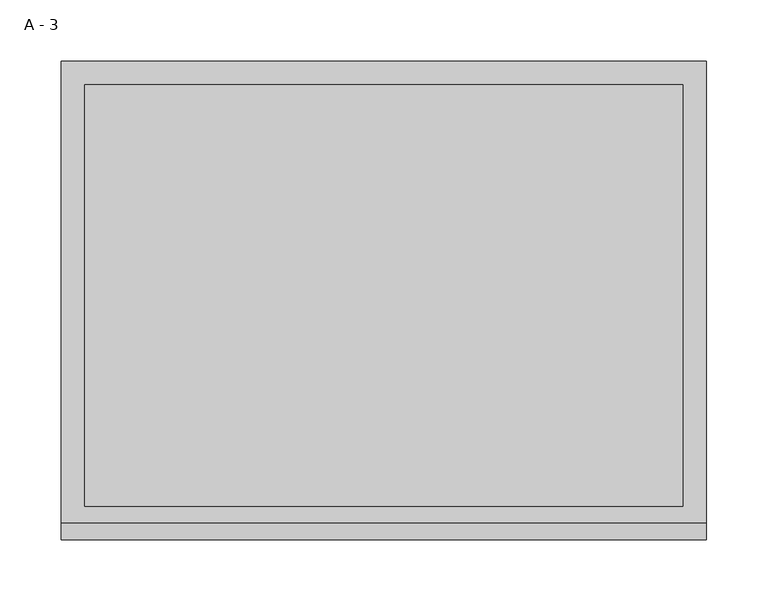
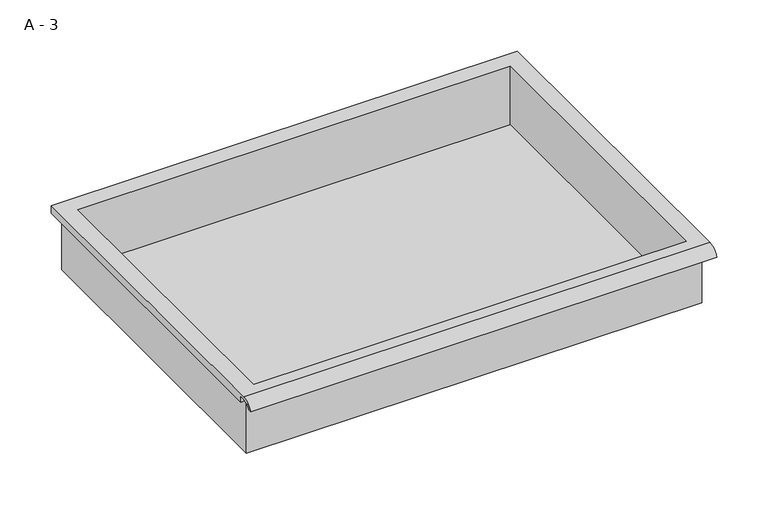
"""IFC4 building model written with IfcOpenShell, lengths in millimetres: furniture geometry, A - 3."""

from ifc_helpers import new_model, si_unit, frame, origin, place, context, project, spatial, polyline, circle_curve, source, transform, mapped, element, save
from ifc_brep_helpers import plane_surface, cylinder_surface, revolved_surface, advanced_brep


def a_3_71a075e6(model_context):
    return source(origin(), model_context, "Body", "AdvancedBrep", [
        advanced_brep(
        [(-257.1076517, -176.2125, 800.1), (257.2423483, -176.2125, 800.1), (257.2423483, -176.2125, 863.6), (263.5923483, -176.2125, 863.6), (263.5923483, -176.2125, 869.9071341), (-263.4576517, -176.2125, 869.9071341), (-263.4576517, -176.2125, 863.6), (-257.1076517, -176.2125, 863.6), (257.2423483, 185.7375, 800.1), (-257.1076517, 185.7375, 800.1), (-257.1076517, 185.7375, 863.6), (257.2423483, 185.7375, 863.6), (263.5923483, -181.6070544, 873.125), (263.5923483, 195.2625, 873.125), (-263.4576517, 195.2625, 873.125), (-263.4576517, -181.6070544, 873.125), (244.5423483, -168.275, 873.125), (-244.4076517, -168.275, 873.125), (-244.4076517, 176.2125, 873.125), (244.5423483, 176.2125, 873.125), (263.5923483, -195.2625, 863.6), (263.5923483, -191.8280601, 863.6), (263.5923483, -180.4714815, 869.9071341), (263.5923483, 195.2625, 863.6), (-263.4576517, 195.2625, 863.6), (-263.4576517, -180.4714815, 869.9071341), (-263.4576517, -191.8280601, 863.6), (-263.4576517, -195.2625, 863.6), (-244.4076517, -168.275, 803.1261719), (244.5423483, -168.275, 803.1261719), (244.5423483, 176.2125, 803.1261719), (-244.4076517, 176.2125, 803.1261719)],
        [
            (0, 1),
            (1, 2),
            (2, 3),
            (3, 4),
            (4, 5),
            (5, 6),
            (6, 7),
            (7, 0),
            (8, 9),
            (9, 10),
            (10, 11),
            (11, 8),
            (0, 9),
            (8, 1),
            (11, 2),
            (12, 13),
            (13, 14),
            (14, 15),
            (15, 12),
            (16, 17),
            (17, 18),
            (18, 19),
            (19, 16),
            (7, 10),
            (12, 20, circle_curve(frame((263.5923483, -181.6070544, 858.5739859), z_axis=(1.0, 0.0, 0.0), x_axis=(0.0, 1.0, 0.0)), 14.5510141)),
            (20, 21),
            (21, 22, circle_curve(frame((263.5923483, -181.6070544, 858.5739859), z_axis=(-1.0, 0.0, 0.0), x_axis=(0.0, 1.0, 0.0)), 11.3898979)),
            (22, 4),
            (3, 23),
            (23, 13),
            (14, 24),
            (24, 6),
            (5, 25),
            (25, 26, circle_curve(frame((-263.4576517, -181.6070544, 858.5739859), z_axis=(1.0, 0.0, 0.0), x_axis=(0.0, 1.0, 0.0)), 11.3898979)),
            (26, 27),
            (27, 15, circle_curve(frame((-263.4576517, -181.6070544, 858.5739859), z_axis=(-1.0, 0.0, 0.0), x_axis=(0.0, 1.0, 0.0)), 14.5510141)),
            (27, 20),
            (26, 21),
            (25, 22),
            (24, 23),
            (28, 29),
            (29, 30),
            (30, 31),
            (31, 28),
            (28, 17),
            (16, 29),
            (19, 30),
            (18, 31),
        ],
        [
            plane_surface(frame((257.2423483, -176.2125, 800.1), z_axis=(0.0, -1.0, 0.0), x_axis=(1.0, 0.0, 0.0))),
            plane_surface(frame((257.2423483, 185.7375, 800.1), z_axis=(0.0, 1.0, 0.0), x_axis=(-1.0, 0.0, 0.0))),
            plane_surface(frame((-257.1076517, -176.2125, 800.1), z_axis=(0.0, 0.0, -1.0), x_axis=(0.0, 1.0, 0.0))),
            plane_surface(frame((257.2423483, -176.2125, 800.1), z_axis=(1.0, 0.0, 0.0), x_axis=(0.0, 1.0, 0.0))),
            plane_surface(frame((257.2423483, -176.2125, 873.125), z_axis=(0.0, 0.0, 1.0), x_axis=(0.0, 1.0, 0.0))),
            plane_surface(frame((-257.1076517, -176.2125, 873.125), z_axis=(-1.0, 0.0, 0.0), x_axis=(0.0, 1.0, 0.0))),
            plane_surface(frame((263.5923483, 195.2625, 873.125), z_axis=(1.0, 0.0, 0.0), x_axis=(0.0, -1.0, 0.0))),
            plane_surface(frame((-263.4576517, 195.2625, 873.125), z_axis=(-1.0, 0.0, 0.0), x_axis=(0.0, 1.0, 0.0))),
            cylinder_surface(frame((-263.4576517, -181.6070544, 858.5739859), z_axis=(1.0, 0.0, 0.0), x_axis=(0.0, 1.0, 0.0)), 14.5510141),
            plane_surface(frame((263.5923483, -195.2625, 863.6), z_axis=(0.0, -7.330645323407289e-12, -1.0), x_axis=(-1.0, 0.0, 0.0))),
            revolved_surface(polyline([(-263.4576517, -170.21715650000002, 858.5739859), (263.59234829999997, -170.21715650000002, 858.5739859)]), (-263.4576517, -181.6070544, 858.5739859), (-1.0, 0.0, 0.0)),
            plane_surface(frame((263.5923483, -180.4714815, 869.9071341), z_axis=(0.0, -1.8083883345760872e-11, -1.0), x_axis=(-1.0, 0.0, 0.0))),
            plane_surface(frame((263.5923483, -176.2125, 863.6), z_axis=(0.0, 0.0, -1.0), x_axis=(-1.0, 0.0, 0.0))),
            plane_surface(frame((263.5923483, 195.2625, 863.6), z_axis=(0.0, 1.0, 0.0), x_axis=(-1.0, 0.0, 0.0))),
            plane_surface(frame((244.5423483, -168.275, 803.1261719), z_axis=(0.0, 0.0, 1.0), x_axis=(-1.0, 0.0, 0.0))),
            plane_surface(frame((-244.4076517, -168.275, 873.125), z_axis=(0.0, 1.0, 0.0), x_axis=(0.0, 0.0, -1.0))),
            plane_surface(frame((244.5423483, -168.275, 873.125), z_axis=(-1.0, 0.0, 0.0), x_axis=(0.0, 0.0, -1.0))),
            plane_surface(frame((244.5423483, 176.2125, 873.125), z_axis=(0.0, -1.0, 0.0), x_axis=(0.0, 0.0, -1.0))),
            plane_surface(frame((-244.4076517, 176.2125, 873.125), z_axis=(1.0, 0.0, 0.0), x_axis=(0.0, 0.0, -1.0))),
        ],
        [
            (0, [[1, 2, 3, 4, 5, 6, 7, 8]]),
            (1, [[9, 10, 11, 12]]),
            (2, [[-1, 13, -9, 14]]),
            (3, [[-14, -12, 15, -2]]),
            (4, [[16, 17, 18, 19], [20, 21, 22, 23]]),
            (5, [[-13, -8, 24, -10]]),
            (6, [[-16, 25, 26, 27, 28, -4, 29, 30]]),
            (7, [[31, 32, -6, 33, 34, 35, 36, -18]]),
            (8, [[-25, -19, -36, 37]]),
            (9, [[-26, -37, -35, 38]]),
            (10, [[-27, -38, -34, 39]]),
            (11, [[-28, -39, -33, -5]]),
            (12, [[-29, -3, -15, -11, -24, -7, -32, 40]]),
            (13, [[-30, -40, -31, -17]]),
            (14, [[41, 42, 43, 44]]),
            (15, [[-41, 45, -20, 46]]),
            (16, [[-42, -46, -23, 47]]),
            (17, [[-43, -47, -22, 48]]),
            (18, [[-44, -48, -21, -45]]),
        ],
    ),
    ])


if __name__ == "__main__":
    model = new_model("IFC4")
    model_context = context("Model", 3, world=origin())
    ifc_project = project(units=[si_unit("LENGTHUNIT", "METRE", prefix="MILLI")], contexts=[model_context])
    site = spatial("IfcSite", under=ifc_project)
    building = spatial("IfcBuilding", under=site)
    placement = place(None, origin())
    a_3_shape = a_3_71a075e6(model_context)
    element("IfcFurniture", 1, ObjectType="A - 3", at=placement, inside=building, context=model_context, shape_type="MappedRepresentation", body=[
        mapped(a_3_shape, transform((0.0, 0.0, 0.0), x_axis=(1.0, 0.0, 0.0), y_axis=(0.0, 1.0, 0.0), z_axis=(0.0, 0.0, 1.0))),
    ])
    save(model, "model.ifc")
